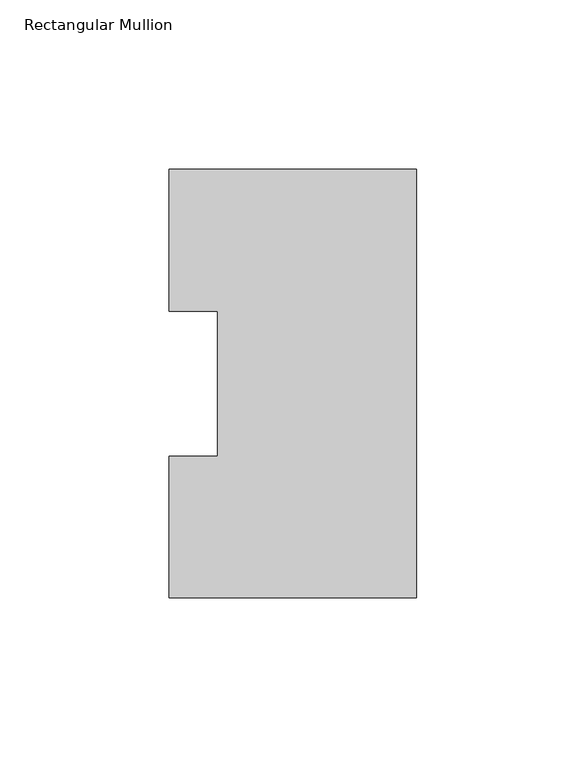
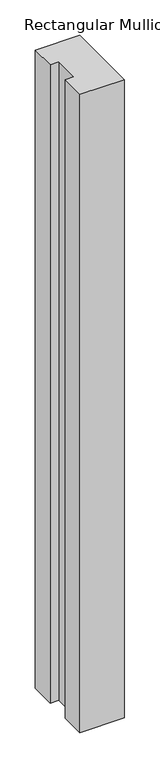
"""IFC4 building model written with IfcOpenShell, lengths in millimetres: member geometry, Rectangular Mullion."""

from ifc_helpers import new_model, si_unit, frame, origin, place, context, project, spatial, polyline, outline, extrude, source, transform, mapped, element, save


def rectangular_mullion_edd2d3e8(model_context):
    return source(origin(), model_context, "Body", "SweptSolid", [
        extrude(outline(polyline([(0.0, 126.75235), (0.0, 0.26035), (-73.025, 0.26035), (-73.025, 42.0814491), (-58.7375, 42.0814491), (-58.7375, 84.93125), (-73.025, 84.93125), (-73.025, 126.75235), (0.0, 126.75235)])), frame((0.0, 0.0, -1104.9005426), z_axis=(0.0, 0.0, 1.0), x_axis=(1.0, 0.0, 0.0)), (0.0, 0.0, 1.0), 1104.9005426),
    ])


if __name__ == "__main__":
    model = new_model("IFC4")
    model_context = context("Model", 3, world=origin())
    ifc_project = project(units=[si_unit("LENGTHUNIT", "METRE", prefix="MILLI")], contexts=[model_context])
    site = spatial("IfcSite", under=ifc_project)
    building = spatial("IfcBuilding", under=site)
    placement = place(None, origin())
    rectangular_mullion_shape = rectangular_mullion_edd2d3e8(model_context)
    element("IfcMember", 1, ObjectType="Rectangular Mullion", at=placement, inside=building, context=model_context, shape_type="MappedRepresentation", body=[
        mapped(rectangular_mullion_shape, transform((0.0, 0.0, 0.0), x_axis=(1.0, 0.0, 0.0), y_axis=(0.0, 1.0, 0.0), z_axis=(0.0, 0.0, 1.0))),
    ])
    save(model, "model.ifc")
